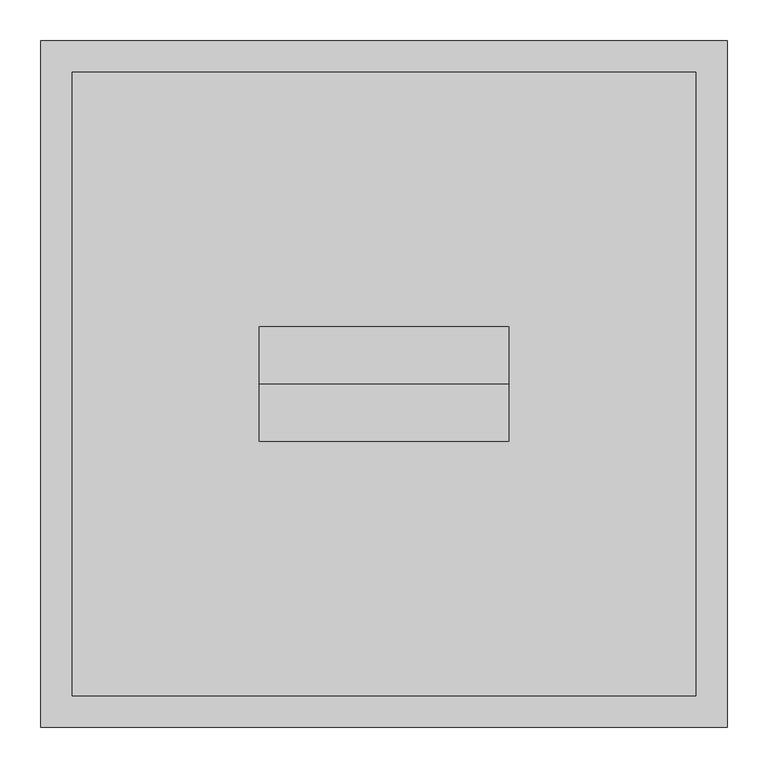
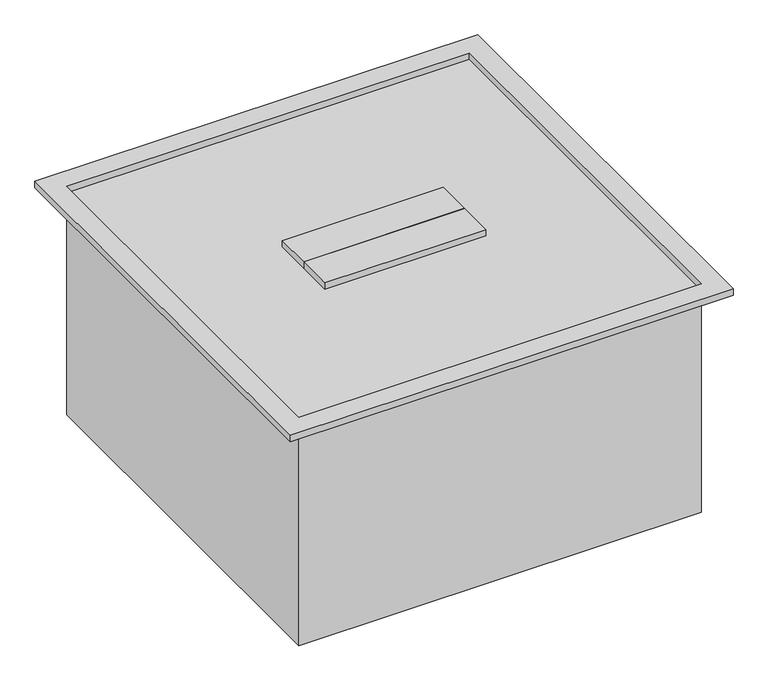
"""IFC4 building model written with IfcOpenShell, lengths in millimetres: proxy geometry."""

from ifc_helpers import new_model, si_unit, frame, origin, origin_with_axes, place, context, project, spatial, polyline, outline, extrude, source, transform, mapped, element, save


def generic_models_d1d04a53(model_context):
    return source(origin(), model_context, "Body", "SweptSolid", [
        extrude(outline(polyline([(-152.4, 0.0), (-152.4, 69.85), (152.4, 69.85), (152.4, 0.0), (-152.4, 0.0)])), frame((0.0, 0.0, 444.5), z_axis=(0.0, 0.0, 1.0), x_axis=(1.0, 0.0, 0.0)), (0.0, 0.0, 1.0), 12.7),
        extrude(outline(polyline([(-152.4, 0.0), (152.4, 0.0), (152.4, -69.85), (-152.4, -69.85), (-152.4, 0.0)])), frame((0.0, 0.0, 444.5), z_axis=(0.0, 0.0, 1.0), x_axis=(1.0, 0.0, 0.0)), (0.0, 0.0, 1.0), 12.7),
        extrude(outline(polyline([(419.1, 419.1), (419.1, -419.1), (-419.1, -419.1), (-419.1, 419.1), (419.1, 419.1)]), holes=[polyline([(381.0, 381.0), (-381.0, 381.0), (-381.0, -381.0), (381.0, -381.0), (381.0, 381.0)])]), frame((0.0, 0.0, 444.5), z_axis=(0.0, 0.0, 1.0), x_axis=(1.0, 0.0, 0.0)), (0.0, 0.0, 1.0), 12.7),
        extrude(outline(polyline([(381.0, 381.0), (381.0, -381.0), (-381.0, -381.0), (-381.0, 381.0), (381.0, 381.0)])), origin_with_axes(), (0.0, 0.0, 1.0), 444.5),
    ])


if __name__ == "__main__":
    model = new_model("IFC4")
    model_context = context("Model", 3, world=origin())
    ifc_project = project(units=[si_unit("LENGTHUNIT", "METRE", prefix="MILLI")], contexts=[model_context])
    site = spatial("IfcSite", under=ifc_project)
    building = spatial("IfcBuilding", under=site)
    placement = place(None, origin())
    generic_models_shape = generic_models_d1d04a53(model_context)
    element("IfcBuildingElementProxy", 1, Name="Generic Models", at=placement, inside=building, context=model_context, shape_type="MappedRepresentation", body=[
        mapped(generic_models_shape, transform((0.0, 0.0, 0.0), x_axis=(1.0, 0.0, 0.0), y_axis=(0.0, 1.0, 0.0), z_axis=(0.0, 0.0, 1.0))),
    ])
    save(model, "model.ifc")
